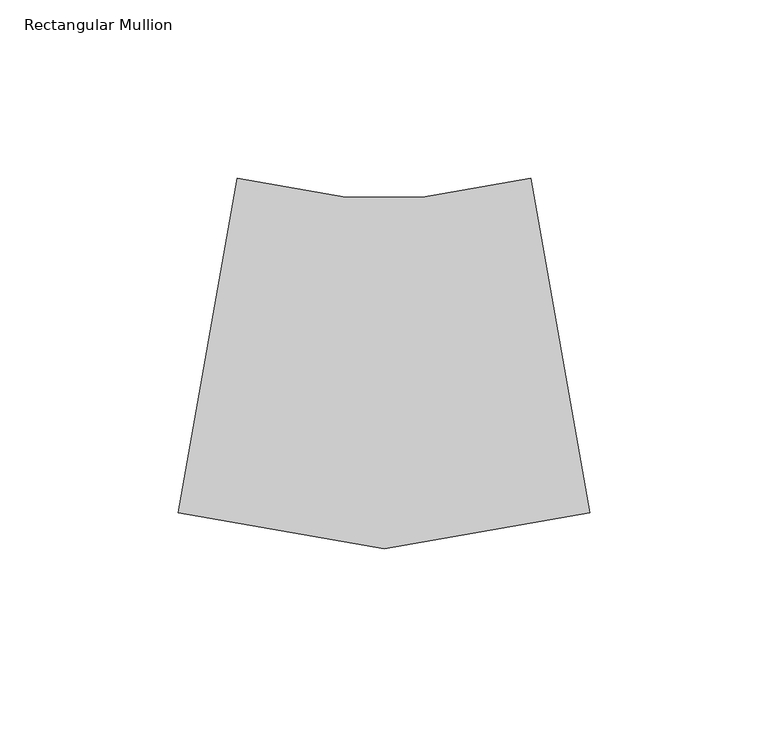
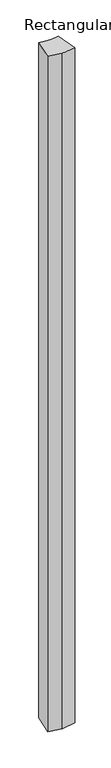
"""IFC4 building model written with IfcOpenShell, lengths in millimetres: member geometry, Rectangular Mullion."""

from ifc_helpers import new_model, si_unit, frame, origin, place, context, project, spatial, polyline, outline, extrude, source, transform, mapped, element, save


def rectangular_mullion_3399f5db(model_context):
    return source(origin(), model_context, "Body", "SweptSolid", [
        extrude(outline(polyline([(-115.4632569, -120.108588), (-98.9232679, -26.3056495), (-68.4936279, -31.671216), (-46.969629, -31.671216), (-16.5399889, -26.3056495), (0.0, -120.108588), (-57.7316284, -130.2882317), (-115.4632569, -120.108588)])), frame((0.0, 0.0, -3048.0), z_axis=(0.0, 0.0, 1.0), x_axis=(1.0, 0.0, 0.0)), (0.0, 0.0, 1.0), 3048.0),
    ])


if __name__ == "__main__":
    model = new_model("IFC4")
    model_context = context("Model", 3, world=origin())
    ifc_project = project(units=[si_unit("LENGTHUNIT", "METRE", prefix="MILLI")], contexts=[model_context])
    site = spatial("IfcSite", under=ifc_project)
    building = spatial("IfcBuilding", under=site)
    placement = place(None, origin())
    rectangular_mullion_shape = rectangular_mullion_3399f5db(model_context)
    element("IfcMember", 1, ObjectType="Rectangular Mullion", at=placement, inside=building, context=model_context, shape_type="MappedRepresentation", body=[
        mapped(rectangular_mullion_shape, transform((0.0, 0.0, 0.0), x_axis=(1.0, 0.0, 0.0), y_axis=(0.0, 1.0, 0.0), z_axis=(0.0, 0.0, 1.0))),
    ])
    save(model, "model.ifc")
